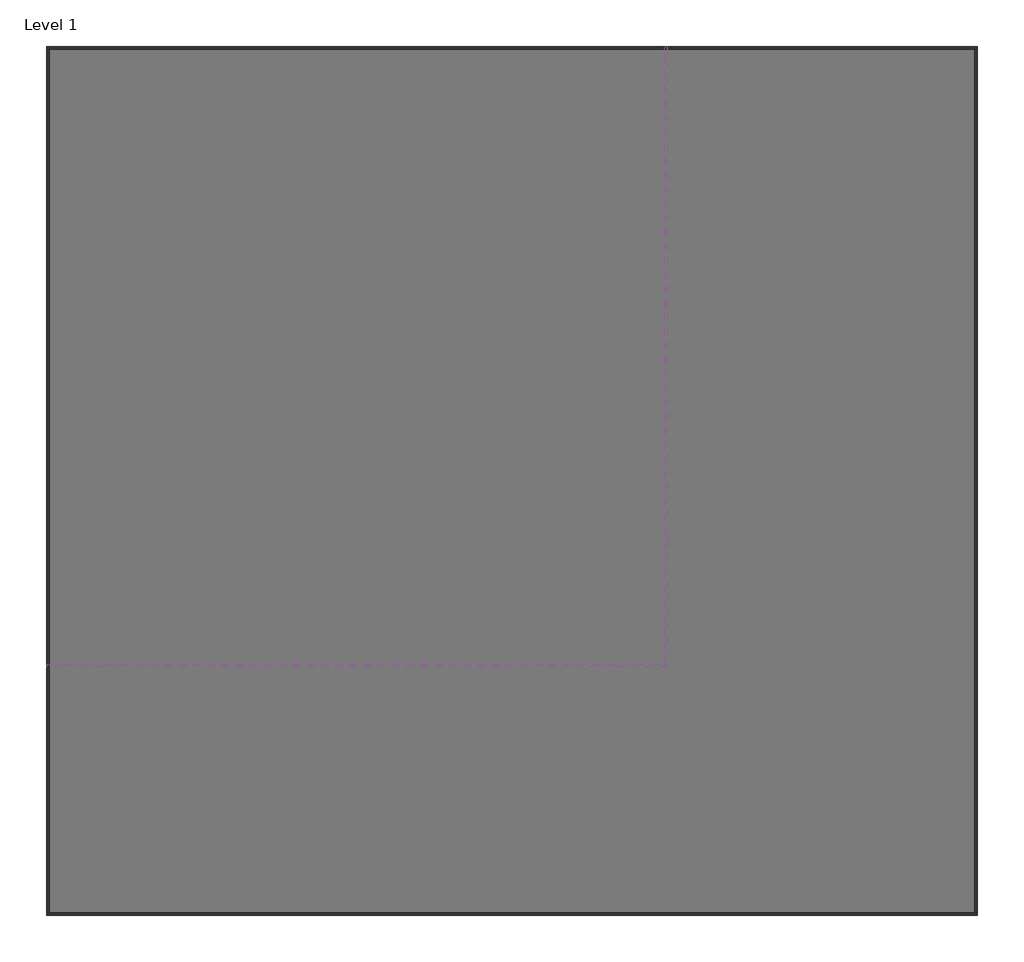
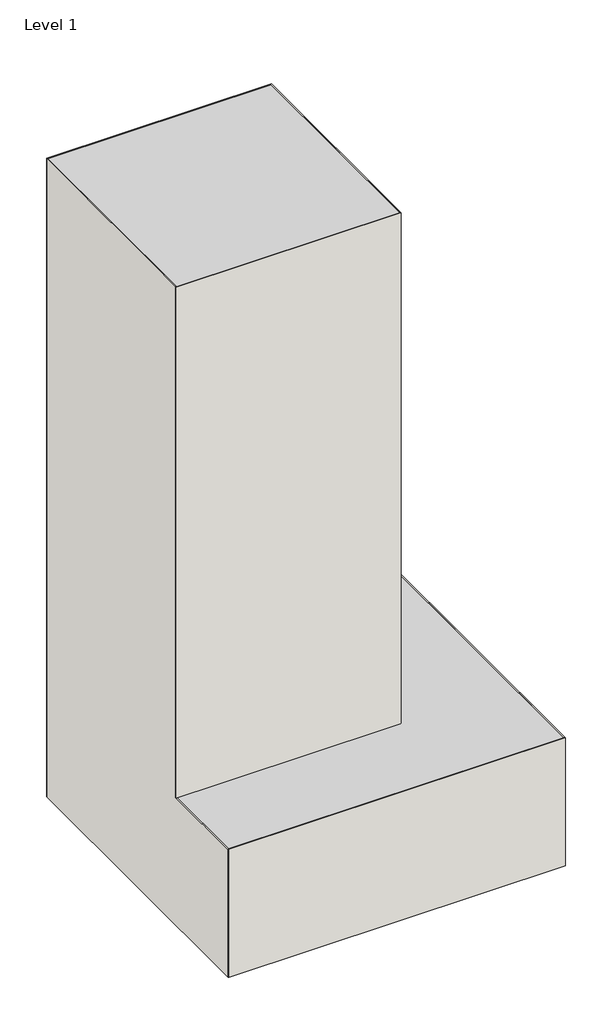
# One storey: 6 walls, 1 proxy.
"""IFC4 building model written with IfcOpenShell, lengths in millimetres."""

from ifc_helpers import new_model, si_unit, origin, origin_with_axes, place, context, project, spatial, polyline, outline, extrude, faceted_brep, element, save

model = new_model("IFC4")

# Units and contexts
model_context = context("Model", 3, world=origin())
ifc_project = project(units=[si_unit("LENGTHUNIT", "METRE", prefix="MILLI")], contexts=[model_context])

# Site, building, storey
site = spatial("IfcSite", under=ifc_project)
building = spatial("IfcBuilding", under=site)
storey = spatial("IfcBuildingStorey", under=building, Name="Level 1", Elevation=0.0)

# Proxy
placement = place(None, origin())
element("IfcBuildingElementProxy", 1, Name="Mass 1 : Mass 1", ObjectType="Mass 1 : Mass 1", at=placement, inside=storey, context=model_context, shape_type="Brep", body=[
    faceted_brep([(96908.6954953, 88767.1141876, 30000.0), (71908.6954953, 88767.1141876, 30000.0), (71908.6954953, 38767.1141876, 30000.0), (21908.6954953, 38767.1141876, 30000.0), (21908.6954953, 18767.1141876, 30000.0), (96908.6954953, 18767.1141876, 30000.0), (96908.6954953, 18767.1141876, 0.0), (96908.6954953, 88767.1141876, 0.0), (21908.6954953, 18767.1141876, 0.0), (71908.6954953, 88767.1141876, 150000.0), (21908.6954953, 88767.1141876, 150000.0), (21908.6954953, 38767.1141876, 150000.0), (71908.6954953, 38767.1141876, 150000.0), (21908.6954953, 88767.1141876, 0.0)], [[[0, 1, 2, 3, 4, 5]], [[6, 7, 0, 5]], [[8, 6, 5, 4]], [[9, 10, 11, 12]], [[12, 2, 1, 9]], [[9, 1, 0, 7, 13, 10]], [[11, 3, 2, 12]], [[13, 8, 4, 3, 11, 10]], [[13, 7, 6, 8]]]),
])

# Walls
element("IfcWall", 2, ObjectType="Generic - 200mm", at=placement, inside=storey, context=model_context, shape_type="Brep", body=[
    faceted_brep([(21908.6954953, 38767.1141876, 30000.0), (71908.6954953, 38767.1141876, 30000.0), (71908.6954953, 38767.1141876, 150000.0), (21908.6954953, 38767.1141876, 150000.0), (21908.6954953, 38967.1141876, 30000.0), (21908.6954953, 38967.1141876, 150000.0), (22108.6954953, 38967.1141876, 150000.0), (71708.6954953, 38967.1141876, 150000.0), (71908.6954953, 38967.1141876, 150000.0), (71908.6954953, 38967.1141876, 30000.0), (71708.6954953, 38967.1141876, 30000.0), (22108.6954953, 38967.1141876, 30000.0)], [[[0, 1, 2, 3]], [[4, 5, 6, 7, 8, 9, 10, 11]], [[1, 0, 4, 11, 10, 9]], [[3, 2, 8, 7, 6, 5]], [[2, 1, 9, 8]], [[0, 3, 5, 4]]]),
])
element("IfcWall", 3, ObjectType="Generic - 200mm", at=placement, inside=storey, context=model_context, shape_type="Brep", body=[
    faceted_brep([(71908.6954953, 38967.1141876, 30000.0), (71908.6954953, 88767.1141876, 30000.0), (71908.6954953, 88767.1141876, 150000.0), (71908.6954953, 38967.1141876, 150000.0), (71708.6954953, 38967.1141876, 30000.0), (71708.6954953, 38967.1141876, 150000.0), (71708.6954953, 88567.1141876, 150000.0), (71708.6954953, 88767.1141876, 150000.0), (71708.6954953, 88767.1141876, 30000.0), (71708.6954953, 88567.1141876, 30000.0)], [[[0, 1, 2, 3]], [[4, 5, 6, 7, 8, 9]], [[1, 0, 4, 9, 8]], [[3, 2, 7, 6, 5]], [[0, 3, 5, 4]], [[2, 1, 8, 7]]]),
])
element("IfcWall", 4, ObjectType="Generic - 200mm", at=placement, inside=storey, context=model_context, shape_type="Brep", body=[
    faceted_brep([(71708.6954953, 88767.1141876, 30000.0), (71908.6954953, 88767.1141876, 30000.0), (96908.6954953, 88767.1141876, 30000.0), (96908.6954953, 88767.1141876, 0.0), (21908.6954953, 88767.1141876, 0.0), (21908.6954953, 88767.1141876, 150000.0), (71708.6954953, 88767.1141876, 150000.0), (71708.6954953, 88567.1141876, 30000.0), (71708.6954953, 88567.1141876, 150000.0), (22108.6954953, 88567.1141876, 150000.0), (21908.6954953, 88567.1141876, 150000.0), (21908.6954953, 88567.1141876, 0.0), (22108.6954953, 88567.1141876, 0.0), (96708.6954953, 88567.1141876, 0.0), (96908.6954953, 88567.1141876, 0.0), (96908.6954953, 88567.1141876, 30000.0), (96708.6954953, 88567.1141876, 30000.0)], [[[0, 1, 2, 3, 4, 5, 6]], [[7, 8, 9, 10, 11, 12, 13, 14, 15, 16]], [[2, 1, 0, 7, 16, 15]], [[4, 3, 14, 13, 12, 11]], [[6, 5, 10, 9, 8]], [[0, 6, 8, 7]], [[5, 4, 11, 10]], [[3, 2, 15, 14]]]),
])
element("IfcWall", 5, ObjectType="Generic - 200mm", at=placement, inside=storey, context=model_context, shape_type="Brep", body=[
    faceted_brep([(21908.6954953, 18767.1141876, 0.0), (21908.6954953, 18767.1141876, 30000.0), (21908.6954953, 38767.1141876, 30000.0), (21908.6954953, 38967.1141876, 30000.0), (21908.6954953, 38967.1141876, 150000.0), (21908.6954953, 88567.1141876, 150000.0), (21908.6954953, 88567.1141876, 0.0), (22108.6954953, 18767.1141876, 0.0), (22108.6954953, 18967.1141876, 0.0), (22108.6954953, 88567.1141876, 0.0), (22108.6954953, 88567.1141876, 150000.0), (22108.6954953, 38967.1141876, 150000.0), (22108.6954953, 38967.1141876, 30000.0), (22108.6954953, 18967.1141876, 30000.0), (22108.6954953, 18767.1141876, 30000.0)], [[[0, 1, 2, 3, 4, 5, 6]], [[7, 8, 9, 10, 11, 12, 13, 14]], [[3, 2, 1, 14, 13, 12]], [[5, 4, 11, 10]], [[0, 6, 9, 8, 7]], [[4, 3, 12, 11]], [[6, 5, 10, 9]], [[1, 0, 7, 14]]]),
])
element("IfcWall", 6, ObjectType="Generic - 200mm", at=placement, inside=storey, context=model_context, shape_type="Brep", body=[
    faceted_brep([(22108.6954953, 18767.1141876, 0.0), (96908.6954953, 18767.1141876, 0.0), (96908.6954953, 18767.1141876, 30000.0), (22108.6954953, 18767.1141876, 30000.0), (22108.6954953, 18967.1141876, 0.0), (22108.6954953, 18967.1141876, 30000.0), (96708.6954953, 18967.1141876, 30000.0), (96908.6954953, 18967.1141876, 30000.0), (96908.6954953, 18967.1141876, 0.0), (96708.6954953, 18967.1141876, 0.0)], [[[0, 1, 2, 3]], [[4, 5, 6, 7, 8, 9]], [[1, 0, 4, 9, 8]], [[3, 2, 7, 6, 5]], [[0, 3, 5, 4]], [[2, 1, 8, 7]]]),
])
element("IfcWall", 7, ObjectType="Generic - 200mm", at=placement, inside=storey, context=model_context, shape_type="SweptSolid", body=[
    extrude(outline(polyline([(96908.6954953, 88567.1141876), (96908.6954953, 18967.1141876), (96708.6954953, 18967.1141876), (96708.6954953, 88567.1141876), (96908.6954953, 88567.1141876)])), origin_with_axes(), (0.0, 0.0, 1.0), 30000.0),
])

save(model, "model.ifc")
